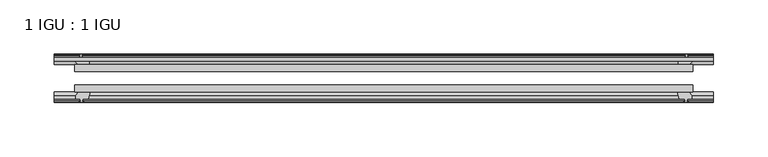
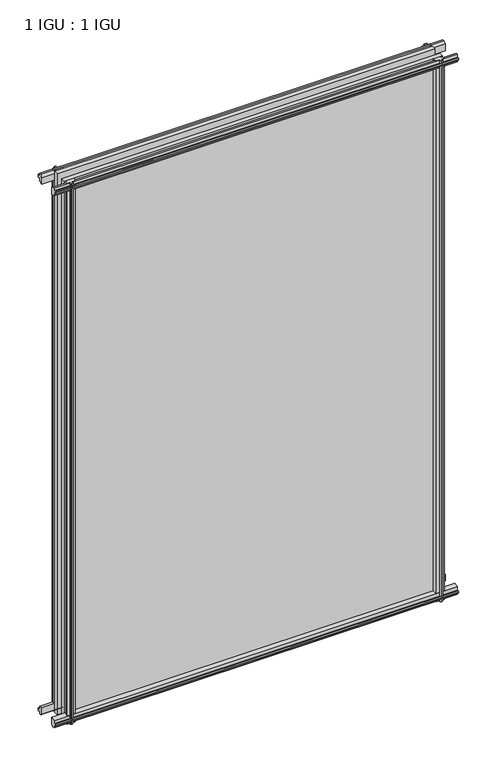
"""IFC4 building model written with IfcOpenShell, lengths in millimetres: plate geometry, 1 IGU : 1 IGU."""

import ifcopenshell
import ifcopenshell.guid

model = None  # the IFC model being written
_history = None  # IfcOwnerHistory: only IFC2X3 demands one
_inside = {}  # id of a spatial element -> (the spatial element, [elements in it])
_under = {}  # id of a project, library or spatial element -> (it, [spatial elements below it])
_declared = {}  # id of a project -> (the project, [libraries it declares])
_typed = {}  # id of a type object -> (the type object, [elements of that type])
_made_of = {}  # id of a material, layer set ... -> (it, [elements and type objects made of it])


def new_model(schema):
    """Start an empty IFC model of exactly this schema.

    Asked for "IFC4X3", IfcOpenShell would pick the latest addendum, in which some entities
    have other attributes; the version numbers below select the first issue.
    IFC2X3 requires an IfcOwnerHistory on every rooted entity: one is made here for all.
    """
    global model, _history
    if schema == "IFC4X3":
        model = ifcopenshell.file(schema_version=(4, 3, 0, 0))
    else:
        model = ifcopenshell.file(schema=schema)
    _inside.clear()
    _under.clear()
    _declared.clear()
    _typed.clear()
    _made_of.clear()
    _history = None
    if model.schema == "IFC2X3":
        org = make("IfcOrganization", Name="unknown")
        user = make(
            "IfcPersonAndOrganization",
            ThePerson=make("IfcPerson", FamilyName="unknown"),
            TheOrganization=org,
        )
        app = make(
            "IfcApplication",
            ApplicationDeveloper=org,
            Version="unknown",
            ApplicationFullName="unknown",
            ApplicationIdentifier="unknown",
        )
        _history = make(
            "IfcOwnerHistory",
            OwningUser=user,
            OwningApplication=app,
            ChangeAction="ADDED",
            CreationDate=0,
        )
    return model


def make(cls, **values):
    """One entity of the class cls with the attributes given. An attribute that is None is left unset."""
    return model.create_entity(
        cls, **{name: value for name, value in values.items() if value is not None}
    )


def rooted(cls, **values):
    """An entity with a GlobalId (a new one), such as an element, a storey or a relation."""
    return make(cls, GlobalId=ifcopenshell.guid.new(), OwnerHistory=_history, **values)


def si_unit(unit_type, name, prefix=None):
    """IfcSIUnit, for example si_unit("LENGTHUNIT", "METRE", prefix="MILLI")."""
    return make("IfcSIUnit", UnitType=unit_type, Prefix=prefix, Name=name)


def assignment(units):
    """IfcUnitAssignment: the units of a project."""
    return None if units is None else make("IfcUnitAssignment", Units=units)


def point(xyz):
    """IfcCartesianPoint."""
    return None if xyz is None else make("IfcCartesianPoint", Coordinates=xyz)


def direction(xyz):
    """IfcDirection."""
    return None if xyz is None else make("IfcDirection", DirectionRatios=xyz)


def frame(location, z_axis=None, x_axis=None):
    """IfcAxis2Placement3D, a coordinate frame: its origin and axes. An axis left out is left unset."""
    return make(
        "IfcAxis2Placement3D",
        Location=point(location),
        Axis=direction(z_axis),
        RefDirection=direction(x_axis),
    )


def origin():
    """The frame at (0, 0, 0) with its axes left unset."""
    return frame((0.0, 0.0, 0.0))


def place(relative_to, where):
    """IfcLocalPlacement: puts the frame where relative to a parent placement (None: the world)."""
    return make(
        "IfcLocalPlacement", PlacementRelTo=relative_to, RelativePlacement=where
    )


def context(
    kind, dimensions, precision=None, world=None, true_north=None, identifier=None
):
    """IfcGeometricRepresentationContext, for example the 3D "Model" context."""
    return make(
        "IfcGeometricRepresentationContext",
        ContextIdentifier=identifier,
        ContextType=kind,
        CoordinateSpaceDimension=dimensions,
        Precision=precision,
        WorldCoordinateSystem=world,
        TrueNorth=true_north,
    )


def project(units=None, contexts=None):
    """IfcProject with its units and contexts."""
    return rooted(
        "IfcProject",
        Name="project",
        RepresentationContexts=contexts,
        UnitsInContext=assignment(units),
    )


def spatial(cls, under=None, at=None, **own):
    """A site, building, storey or space (cls), placed at a placement, below another one or the project."""
    s = rooted(cls, ObjectPlacement=at, **own)
    if under is not None:
        _under.setdefault(under.id(), (under, []))[1].append(s)
    return s


def polyline(points):
    """IfcPolyline through the points."""
    return make("IfcPolyline", Points=[point(p) for p in points])


def outline(outer, holes=None, kind="AREA"):
    """IfcArbitraryClosedProfileDef: a profile drawn as a closed curve; with holes, ...WithVoids."""
    if holes is None:
        return make("IfcArbitraryClosedProfileDef", ProfileType=kind, OuterCurve=outer)
    return make(
        "IfcArbitraryProfileDefWithVoids",
        ProfileType=kind,
        OuterCurve=outer,
        InnerCurves=holes,
    )


def extrude(swept, where, along, depth):
    """IfcExtrudedAreaSolid: the profile swept, set in the frame where, extruded along a direction by depth."""
    return make(
        "IfcExtrudedAreaSolid",
        SweptArea=swept,
        Position=where,
        ExtrudedDirection=direction(along),
        Depth=depth,
    )


def shape(context_of_items, identifier, shape_type, items):
    """IfcShapeRepresentation: the items that make up one representation, for example the "Body"."""
    return make(
        "IfcShapeRepresentation",
        ContextOfItems=context_of_items,
        RepresentationIdentifier=identifier,
        RepresentationType=shape_type,
        Items=items,
    )


def source(mapping_origin, context_of_items, identifier, shape_type, items):
    """IfcRepresentationMap: a shape defined once, which mapped items show again and again."""
    return make(
        "IfcRepresentationMap",
        MappingOrigin=mapping_origin,
        MappedRepresentation=shape(context_of_items, identifier, shape_type, items),
    )


def transform(
    local_origin,
    x_axis=None,
    y_axis=None,
    z_axis=None,
    scale=None,
    scale2=None,
    scale3=None,
    uniform=True,
):
    """IfcCartesianTransformationOperator3D, or its non-uniform kind. x_axis, y_axis, z_axis: its Axis1, 2, 3."""
    if uniform:
        return make(
            "IfcCartesianTransformationOperator3D",
            Axis1=direction(x_axis),
            Axis2=direction(y_axis),
            LocalOrigin=point(local_origin),
            Scale=scale,
            Axis3=direction(z_axis),
        )
    return make(
        "IfcCartesianTransformationOperator3DnonUniform",
        Axis1=direction(x_axis),
        Axis2=direction(y_axis),
        LocalOrigin=point(local_origin),
        Scale=scale,
        Axis3=direction(z_axis),
        Scale2=scale2,
        Scale3=scale3,
    )


def mapped(mapping_source, mapping_target):
    """IfcMappedItem: shows the shape of a source again, moved by a transform."""
    return make(
        "IfcMappedItem", MappingSource=mapping_source, MappingTarget=mapping_target
    )


def made_of(thing, what):
    """Note that an element or type object is made of a material, layer set ...; save() writes the relation."""
    if what is not None:
        _made_of.setdefault(what.id(), (what, []))[1].append(thing)
    return thing


def element(
    cls,
    number,
    at=None,
    inside=None,
    cuts=None,
    type_object=None,
    material=None,
    context=None,
    identifier="Body",
    shape_type=None,
    held_by="IfcProductDefinitionShape",
    body=None,
    shapes=None,
    **own,
):
    """One element of the class cls, such as IfcWall. Its Tag is "e" and its number.

    at: its placement. inside: the storey or other place that contains it. cuts: it is an
    opening in that element (IfcRelVoidsElement). A single representation is given by context,
    identifier, shape_type and body (its items); several are given by shapes. held_by: the class
    of the entity that holds the representations. save() writes the other relations.
    """
    e = rooted(cls, Tag="e%d" % number, ObjectPlacement=at, **own)
    if body is not None:
        shapes = [shape(context, identifier, shape_type, body)]
    if shapes is not None:
        e.Representation = make(held_by, Representations=shapes)
    if inside is not None:
        _inside.setdefault(inside.id(), (inside, []))[1].append(e)
    if cuts is not None:
        rooted(
            "IfcRelVoidsElement", RelatingBuildingElement=cuts, RelatedOpeningElement=e
        )
    if type_object is not None:
        _typed.setdefault(type_object.id(), (type_object, []))[1].append(e)
    return made_of(e, material)


def aggregate(whole, parts):
    """IfcRelAggregates: a whole, such as a stair, and the parts it consists of."""
    return rooted("IfcRelAggregates", RelatingObject=whole, RelatedObjects=parts)


def save(model, path):
    """Write the relations noted so far, then the file.

    IfcRelAggregates (storeys below a building ...), IfcRelContainedInSpatialStructure (elements
    in a storey), IfcRelDefinesByType, IfcRelAssociatesMaterial and IfcRelDeclares: one each for
    every whole, place, type object, material and project.
    """
    for whole, parts in _under.values():
        aggregate(whole, parts)
    for where, things in _inside.values():
        rooted(
            "IfcRelContainedInSpatialStructure",
            RelatedElements=things,
            RelatingStructure=where,
        )
    for kind, things in _typed.values():
        rooted("IfcRelDefinesByType", RelatedObjects=things, RelatingType=kind)
    for what, things in _made_of.values():
        rooted("IfcRelAssociatesMaterial", RelatedObjects=things, RelatingMaterial=what)
    for by, libraries in _declared.values():
        rooted("IfcRelDeclares", RelatingContext=by, RelatedDefinitions=libraries)
    model.write(path)


def plate_1_igu_1_igu_edbab70e(model_context):
    return source(origin(), model_context, "Body", "SweptSolid", [
        extrude(outline(polyline([(-285.7500002, -38.6468937), (285.7500002, -38.6468937), (285.7500002, -44.9460938), (-285.7500002, -44.9460938), (-285.7500002, -38.6468937)])), frame((0.0, 0.0, -12.7), z_axis=(0.0, 0.0, 1.0), x_axis=(1.0, 0.0, 0.0)), (0.0, 0.0, 1.0), 863.5872996),
        extrude(outline(polyline([(-285.7500002, -19.5460937), (285.7500002, -19.5460937), (285.7500002, -25.8960938), (-285.7500002, -25.8960938), (-285.7500002, -19.5460937)])), frame((0.0, 0.0, -12.7), z_axis=(0.0, 0.0, 1.0), x_axis=(1.0, 0.0, 0.0)), (0.0, 0.0, 1.0), 863.5872996),
        extrude(outline(polyline([(-44.9460937, 1.7177181), (-44.9460937, -9.1036578), (-48.3496937, -11.938), (-51.2960937, -11.938), (-51.2960937, -7.493), (-53.6762907, -7.112), (-53.2163575, -8.5275291), (-54.0175717, -8.5275291), (-54.7250937, -6.35), (-54.0175717, -4.1724709), (-53.2163575, -4.1724709), (-53.6762907, -5.588), (-51.2960937, -5.207), (-51.2960937, 0.0), (-44.9460937, 1.7177181)])), frame((-304.8000002, 0.0, 0.0), z_axis=(1.0, 0.0, 0.0), x_axis=(0.0, 1.0, 0.0)), (0.0, 0.0, 1.0), 609.6000003),
        extrude(outline(polyline([(-13.1960937, -12.4587), (-16.1424937, -12.4587), (-19.5460937, -9.6243578), (-19.5460937, 1.1970181), (-13.1960937, -0.5207), (-13.1960937, -5.7277), (-10.8158968, -6.1087), (-11.27583, -4.6931709), (-10.4746158, -4.6931709), (-9.7670937, -6.8707), (-10.4746158, -9.0482291), (-11.27583, -9.0482291), (-10.8158968, -7.6327), (-13.1960937, -8.0137), (-13.1960937, -12.4587)])), frame((-304.8000002, 0.0, 0.0), z_axis=(1.0, 0.0, 0.0), x_axis=(0.0, 1.0, 0.0)), (0.0, 0.0, 1.0), 609.6000003),
        extrude(outline(polyline([(-51.2960937, 850.1252996), (-48.3496937, 850.1252996), (-44.9460937, 847.2909574), (-44.9460937, 836.4695815), (-51.2960937, 838.1872996), (-51.2960937, 843.3942996), (-53.6762907, 843.7752996), (-53.2163575, 842.3597706), (-54.0175717, 842.3597706), (-54.7250937, 844.5372996), (-54.0175717, 846.7148287), (-53.2163575, 846.7148287), (-53.6762907, 845.2992996), (-51.2960937, 845.6802996), (-51.2960937, 850.1252996)])), frame((-304.8000002, 0.0, 0.0), z_axis=(1.0, 0.0, 0.0), x_axis=(0.0, 1.0, 0.0)), (0.0, 0.0, 1.0), 609.6000003),
        extrude(outline(polyline([(-19.5460937, 836.9902815), (-19.5460937, 847.8116574), (-16.1424937, 850.6459996), (-13.1960937, 850.6459996), (-13.1960937, 846.2009996), (-10.8158968, 845.8199996), (-11.27583, 847.2355287), (-10.4746158, 847.2355287), (-9.7670937, 845.0579996), (-10.4746158, 842.8804706), (-11.27583, 842.8804706), (-10.8158968, 844.2959996), (-13.1960937, 843.9149996), (-13.1960937, 838.7079996), (-19.5460937, 836.9902815)])), frame((-304.8000002, 0.0, 0.0), z_axis=(1.0, 0.0, 0.0), x_axis=(0.0, 1.0, 0.0)), (0.0, 0.0, 1.0), 609.6000003),
        extrude(outline(polyline([(271.8529821, -19.5460938), (273.5707002, -13.1960938), (278.7777002, -13.1960938), (279.1587002, -10.8158968), (277.7431711, -11.27583), (277.7431711, -10.4746158), (279.9207002, -9.7670938), (282.0982292, -10.4746158), (282.0982292, -11.27583), (280.6827002, -10.8158968), (281.0637002, -13.1960938), (285.5087002, -13.1960938), (285.5087002, -16.1424938), (282.674358, -19.5460938), (271.8529821, -19.5460938)])), frame((0.0, 0.0, -12.7), z_axis=(0.0, 0.0, 1.0), x_axis=(1.0, 0.0, 0.0)), (0.0, 0.0, 1.0), 863.5872998),
        extrude(outline(polyline([(271.3322821, -44.9460938), (282.153658, -44.9460938), (284.9880002, -48.3496938), (284.9880002, -51.2960938), (280.5430002, -51.2960938), (280.1620002, -53.6762907), (281.5775292, -53.2163575), (281.5775292, -54.0175717), (279.4000002, -54.7250938), (277.2224711, -54.0175717), (277.2224711, -53.2163575), (278.6380002, -53.6762907), (278.2570002, -51.2960938), (273.0500002, -51.2960938), (271.3322821, -44.9460938)])), frame((0.0, 0.0, -12.7), z_axis=(0.0, 0.0, 1.0), x_axis=(1.0, 0.0, 0.0)), (0.0, 0.0, 1.0), 863.5872998),
        extrude(outline(polyline([(-279.9207002, -9.7670937), (-277.7431711, -10.4746158), (-277.7431711, -11.27583), (-279.1587002, -10.8158968), (-278.7777002, -13.1960937), (-273.5707002, -13.1960937), (-271.8529821, -19.5460937), (-282.674358, -19.5460937), (-285.5087002, -16.1424937), (-285.5087002, -13.1960937), (-281.0637002, -13.1960937), (-280.6827002, -10.8158968), (-282.0982292, -11.27583), (-282.0982292, -10.4746158), (-279.9207002, -9.7670937)])), frame((0.0, 0.0, -12.7), z_axis=(0.0, 0.0, 1.0), x_axis=(1.0, 0.0, 0.0)), (0.0, 0.0, 1.0), 863.5872998),
        extrude(outline(polyline([(-284.9880002, -48.3496937), (-282.153658, -44.9460937), (-271.3322821, -44.9460937), (-273.0500002, -51.2960937), (-278.2570002, -51.2960937), (-278.6380002, -53.6762907), (-277.2224711, -53.2163575), (-277.2224711, -54.0175717), (-279.4000002, -54.7250937), (-281.5775292, -54.0175717), (-281.5775292, -53.2163575), (-280.1620002, -53.6762907), (-280.5430002, -51.2960937), (-284.9880002, -51.2960937), (-284.9880002, -48.3496937)])), frame((0.0, 0.0, -12.7), z_axis=(0.0, 0.0, 1.0), x_axis=(1.0, 0.0, 0.0)), (0.0, 0.0, 1.0), 863.5872998),
    ])


if __name__ == "__main__":
    model = new_model("IFC4")
    model_context = context("Model", 3, world=origin())
    ifc_project = project(units=[si_unit("LENGTHUNIT", "METRE", prefix="MILLI")], contexts=[model_context])
    site = spatial("IfcSite", under=ifc_project)
    building = spatial("IfcBuilding", under=site)
    placement = place(None, origin())
    plate_1_igu_1_igu_shape = plate_1_igu_1_igu_edbab70e(model_context)
    element("IfcPlate", 1, ObjectType="1 IGU : 1 IGU", at=placement, inside=building, context=model_context, shape_type="MappedRepresentation", body=[
        mapped(plate_1_igu_1_igu_shape, transform((0.0, 0.0, 0.0), x_axis=(1.0, 0.0, 0.0), y_axis=(0.0, 1.0, 0.0), z_axis=(0.0, 0.0, 1.0))),
    ])
    save(model, "model.ifc")
